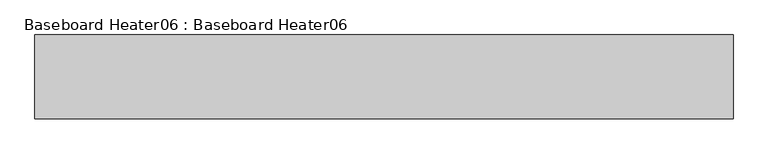
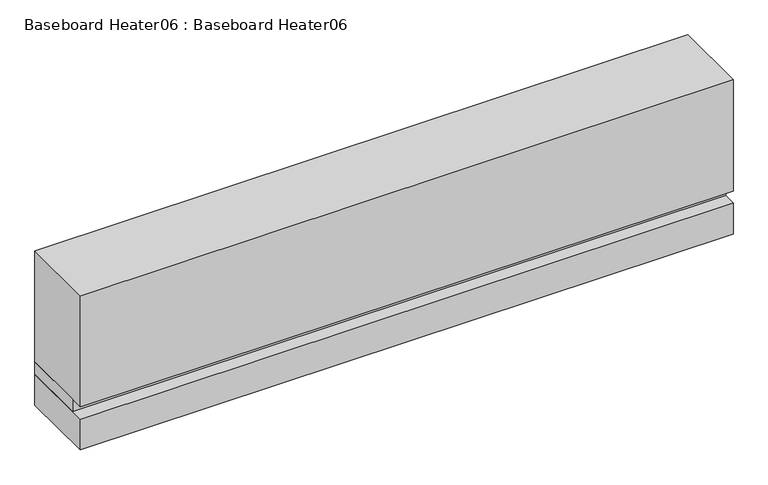
"""IFC4 building model written with IfcOpenShell, lengths in millimetres: proxy geometry, Baseboard Heater06 : Baseboard Heater06."""

import ifcopenshell
import ifcopenshell.guid

model = None  # the IFC model being written
_history = None  # IfcOwnerHistory: only IFC2X3 demands one
_inside = {}  # id of a spatial element -> (the spatial element, [elements in it])
_under = {}  # id of a project, library or spatial element -> (it, [spatial elements below it])
_declared = {}  # id of a project -> (the project, [libraries it declares])
_typed = {}  # id of a type object -> (the type object, [elements of that type])
_made_of = {}  # id of a material, layer set ... -> (it, [elements and type objects made of it])


def new_model(schema):
    """Start an empty IFC model of exactly this schema.

    Asked for "IFC4X3", IfcOpenShell would pick the latest addendum, in which some entities
    have other attributes; the version numbers below select the first issue.
    IFC2X3 requires an IfcOwnerHistory on every rooted entity: one is made here for all.
    """
    global model, _history
    if schema == "IFC4X3":
        model = ifcopenshell.file(schema_version=(4, 3, 0, 0))
    else:
        model = ifcopenshell.file(schema=schema)
    _inside.clear()
    _under.clear()
    _declared.clear()
    _typed.clear()
    _made_of.clear()
    _history = None
    if model.schema == "IFC2X3":
        org = make("IfcOrganization", Name="unknown")
        user = make(
            "IfcPersonAndOrganization",
            ThePerson=make("IfcPerson", FamilyName="unknown"),
            TheOrganization=org,
        )
        app = make(
            "IfcApplication",
            ApplicationDeveloper=org,
            Version="unknown",
            ApplicationFullName="unknown",
            ApplicationIdentifier="unknown",
        )
        _history = make(
            "IfcOwnerHistory",
            OwningUser=user,
            OwningApplication=app,
            ChangeAction="ADDED",
            CreationDate=0,
        )
    return model


def make(cls, **values):
    """One entity of the class cls with the attributes given. An attribute that is None is left unset."""
    return model.create_entity(
        cls, **{name: value for name, value in values.items() if value is not None}
    )


def rooted(cls, **values):
    """An entity with a GlobalId (a new one), such as an element, a storey or a relation."""
    return make(cls, GlobalId=ifcopenshell.guid.new(), OwnerHistory=_history, **values)


def si_unit(unit_type, name, prefix=None):
    """IfcSIUnit, for example si_unit("LENGTHUNIT", "METRE", prefix="MILLI")."""
    return make("IfcSIUnit", UnitType=unit_type, Prefix=prefix, Name=name)


def assignment(units):
    """IfcUnitAssignment: the units of a project."""
    return None if units is None else make("IfcUnitAssignment", Units=units)


def point(xyz):
    """IfcCartesianPoint."""
    return None if xyz is None else make("IfcCartesianPoint", Coordinates=xyz)


def direction(xyz):
    """IfcDirection."""
    return None if xyz is None else make("IfcDirection", DirectionRatios=xyz)


def frame(location, z_axis=None, x_axis=None):
    """IfcAxis2Placement3D, a coordinate frame: its origin and axes. An axis left out is left unset."""
    return make(
        "IfcAxis2Placement3D",
        Location=point(location),
        Axis=direction(z_axis),
        RefDirection=direction(x_axis),
    )


def origin():
    """The frame at (0, 0, 0) with its axes left unset."""
    return frame((0.0, 0.0, 0.0))


def origin_with_axes():
    """The frame at (0, 0, 0) with the z axis (0, 0, 1) and the x axis (1, 0, 0) written out."""
    return frame((0.0, 0.0, 0.0), z_axis=(0.0, 0.0, 1.0), x_axis=(1.0, 0.0, 0.0))


def place(relative_to, where):
    """IfcLocalPlacement: puts the frame where relative to a parent placement (None: the world)."""
    return make(
        "IfcLocalPlacement", PlacementRelTo=relative_to, RelativePlacement=where
    )


def context(
    kind, dimensions, precision=None, world=None, true_north=None, identifier=None
):
    """IfcGeometricRepresentationContext, for example the 3D "Model" context."""
    return make(
        "IfcGeometricRepresentationContext",
        ContextIdentifier=identifier,
        ContextType=kind,
        CoordinateSpaceDimension=dimensions,
        Precision=precision,
        WorldCoordinateSystem=world,
        TrueNorth=true_north,
    )


def project(units=None, contexts=None):
    """IfcProject with its units and contexts."""
    return rooted(
        "IfcProject",
        Name="project",
        RepresentationContexts=contexts,
        UnitsInContext=assignment(units),
    )


def spatial(cls, under=None, at=None, **own):
    """A site, building, storey or space (cls), placed at a placement, below another one or the project."""
    s = rooted(cls, ObjectPlacement=at, **own)
    if under is not None:
        _under.setdefault(under.id(), (under, []))[1].append(s)
    return s


def polyline(points):
    """IfcPolyline through the points."""
    return make("IfcPolyline", Points=[point(p) for p in points])


def outline(outer, holes=None, kind="AREA"):
    """IfcArbitraryClosedProfileDef: a profile drawn as a closed curve; with holes, ...WithVoids."""
    if holes is None:
        return make("IfcArbitraryClosedProfileDef", ProfileType=kind, OuterCurve=outer)
    return make(
        "IfcArbitraryProfileDefWithVoids",
        ProfileType=kind,
        OuterCurve=outer,
        InnerCurves=holes,
    )


def extrude(swept, where, along, depth):
    """IfcExtrudedAreaSolid: the profile swept, set in the frame where, extruded along a direction by depth."""
    return make(
        "IfcExtrudedAreaSolid",
        SweptArea=swept,
        Position=where,
        ExtrudedDirection=direction(along),
        Depth=depth,
    )


def shape(context_of_items, identifier, shape_type, items):
    """IfcShapeRepresentation: the items that make up one representation, for example the "Body"."""
    return make(
        "IfcShapeRepresentation",
        ContextOfItems=context_of_items,
        RepresentationIdentifier=identifier,
        RepresentationType=shape_type,
        Items=items,
    )


def source(mapping_origin, context_of_items, identifier, shape_type, items):
    """IfcRepresentationMap: a shape defined once, which mapped items show again and again."""
    return make(
        "IfcRepresentationMap",
        MappingOrigin=mapping_origin,
        MappedRepresentation=shape(context_of_items, identifier, shape_type, items),
    )


def transform(
    local_origin,
    x_axis=None,
    y_axis=None,
    z_axis=None,
    scale=None,
    scale2=None,
    scale3=None,
    uniform=True,
):
    """IfcCartesianTransformationOperator3D, or its non-uniform kind. x_axis, y_axis, z_axis: its Axis1, 2, 3."""
    if uniform:
        return make(
            "IfcCartesianTransformationOperator3D",
            Axis1=direction(x_axis),
            Axis2=direction(y_axis),
            LocalOrigin=point(local_origin),
            Scale=scale,
            Axis3=direction(z_axis),
        )
    return make(
        "IfcCartesianTransformationOperator3DnonUniform",
        Axis1=direction(x_axis),
        Axis2=direction(y_axis),
        LocalOrigin=point(local_origin),
        Scale=scale,
        Axis3=direction(z_axis),
        Scale2=scale2,
        Scale3=scale3,
    )


def mapped(mapping_source, mapping_target):
    """IfcMappedItem: shows the shape of a source again, moved by a transform."""
    return make(
        "IfcMappedItem", MappingSource=mapping_source, MappingTarget=mapping_target
    )


def made_of(thing, what):
    """Note that an element or type object is made of a material, layer set ...; save() writes the relation."""
    if what is not None:
        _made_of.setdefault(what.id(), (what, []))[1].append(thing)
    return thing


def element(
    cls,
    number,
    at=None,
    inside=None,
    cuts=None,
    type_object=None,
    material=None,
    context=None,
    identifier="Body",
    shape_type=None,
    held_by="IfcProductDefinitionShape",
    body=None,
    shapes=None,
    **own,
):
    """One element of the class cls, such as IfcWall. Its Tag is "e" and its number.

    at: its placement. inside: the storey or other place that contains it. cuts: it is an
    opening in that element (IfcRelVoidsElement). A single representation is given by context,
    identifier, shape_type and body (its items); several are given by shapes. held_by: the class
    of the entity that holds the representations. save() writes the other relations.
    """
    e = rooted(cls, Tag="e%d" % number, ObjectPlacement=at, **own)
    if body is not None:
        shapes = [shape(context, identifier, shape_type, body)]
    if shapes is not None:
        e.Representation = make(held_by, Representations=shapes)
    if inside is not None:
        _inside.setdefault(inside.id(), (inside, []))[1].append(e)
    if cuts is not None:
        rooted(
            "IfcRelVoidsElement", RelatingBuildingElement=cuts, RelatedOpeningElement=e
        )
    if type_object is not None:
        _typed.setdefault(type_object.id(), (type_object, []))[1].append(e)
    return made_of(e, material)


def aggregate(whole, parts):
    """IfcRelAggregates: a whole, such as a stair, and the parts it consists of."""
    return rooted("IfcRelAggregates", RelatingObject=whole, RelatedObjects=parts)


def save(model, path):
    """Write the relations noted so far, then the file.

    IfcRelAggregates (storeys below a building ...), IfcRelContainedInSpatialStructure (elements
    in a storey), IfcRelDefinesByType, IfcRelAssociatesMaterial and IfcRelDeclares: one each for
    every whole, place, type object, material and project.
    """
    for whole, parts in _under.values():
        aggregate(whole, parts)
    for where, things in _inside.values():
        rooted(
            "IfcRelContainedInSpatialStructure",
            RelatedElements=things,
            RelatingStructure=where,
        )
    for kind, things in _typed.values():
        rooted("IfcRelDefinesByType", RelatedObjects=things, RelatingType=kind)
    for what, things in _made_of.values():
        rooted("IfcRelAssociatesMaterial", RelatedObjects=things, RelatingMaterial=what)
    for by, libraries in _declared.values():
        rooted("IfcRelDeclares", RelatingContext=by, RelatedDefinitions=libraries)
    model.write(path)


def baseboard_heater06_baseboard_heater06_b684b544(model_context):
    return source(origin(), model_context, "Body", "SweptSolid", [
        extrude(outline(polyline([(635.0, 0.0), (-635.0, 0.0), (-635.0, 152.4), (635.0, 152.4), (635.0, 0.0)])), origin_with_axes(), (0.0, 0.0, 1.0), 63.5),
        extrude(outline(polyline([(635.0, 25.4), (-635.0, 25.4), (-635.0, 152.4), (635.0, 152.4), (635.0, 25.4)])), frame((0.0, 0.0, 63.5), z_axis=(0.0, 0.0, 1.0), x_axis=(1.0, 0.0, 0.0)), (0.0, 0.0, 1.0), 25.4),
        extrude(outline(polyline([(635.0, 0.0), (-635.0, 0.0), (-635.0, 152.4), (635.0, 152.4), (635.0, 0.0)])), frame((0.0, 0.0, 88.9), z_axis=(0.0, 0.0, 1.0), x_axis=(1.0, 0.0, 0.0)), (0.0, 0.0, 1.0), 228.6),
    ])


if __name__ == "__main__":
    model = new_model("IFC4")
    model_context = context("Model", 3, world=origin())
    ifc_project = project(units=[si_unit("LENGTHUNIT", "METRE", prefix="MILLI")], contexts=[model_context])
    site = spatial("IfcSite", under=ifc_project)
    building = spatial("IfcBuilding", under=site)
    placement = place(None, origin())
    baseboard_heater06_baseboard_heater06_shape = baseboard_heater06_baseboard_heater06_b684b544(model_context)
    element("IfcBuildingElementProxy", 1, Name="Baseboard Heater06 : Baseboard Heater06", ObjectType="Baseboard Heater06 : Baseboard Heater06", at=placement, inside=building, context=model_context, shape_type="MappedRepresentation", body=[
        mapped(baseboard_heater06_baseboard_heater06_shape, transform((0.0, 0.0, 0.0), x_axis=(1.0, 0.0, 0.0), y_axis=(0.0, 1.0, 0.0), z_axis=(0.0, 0.0, 1.0))),
    ])
    save(model, "model.ifc")
